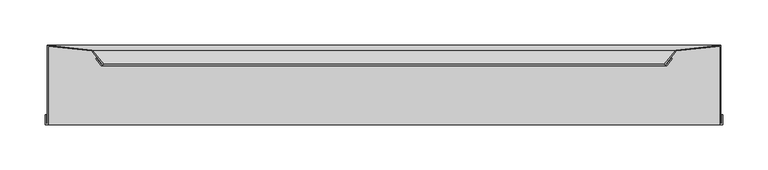
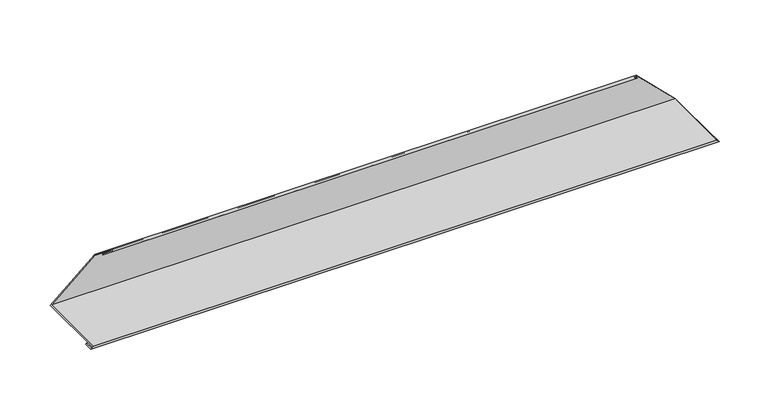
"""IFC4 building model written with IfcOpenShell, lengths in millimetres: proxy geometry."""

from ifc_helpers import new_model, si_unit, origin, place, context, project, spatial, faceted_brep, source, transform, mapped, element, save


def generic_models_2fc23070(model_context):
    return source(origin(), model_context, "Body", "Brep", [
        faceted_brep([(2.0, -89.0, 2.0), (2.0, -79.0, 2.0), (1.0, -79.0, 1.0), (1.0, -90.0, 1.0), (4.0, -90.0, 4.0), (4.0, -3.6471503, 4.0), (52.2096218, -8.7141857, 52.2096218), (63.9753657, -23.2436693, 63.9753657), (63.1982197, -23.8729897, 63.1982197), (57.5343362, -16.878676, 57.5343362), (56.7571902, -17.5079964, 56.7571902), (63.0503942, -25.279456, 63.0503942), (65.381832, -23.3914949, 65.381832), (52.7260948, -7.7629609, 52.7260948), (3.0, -2.5365377, 3.0), (3.0, -89.0, 3.0), (748.0, -79.0, 2.0), (748.0, -89.0, 2.0), (747.0, -89.0, 3.0), (747.0, -2.5365377, 3.0), (697.2739052, -7.7629609, 52.7260948), (684.618168, -23.3914949, 65.381832), (686.9496058, -25.279456, 63.0503942), (693.2428098, -17.5079964, 56.7571902), (692.4656638, -16.878676, 57.5343362), (686.8017803, -23.8729897, 63.1982197), (686.0246343, -23.2436693, 63.9753657), (697.7903782, -8.7141857, 52.2096218), (746.0, -3.6471503, 4.0), (746.0, -90.0, 4.0), (749.0, -90.0, 1.0), (749.0, -79.0, 1.0)], [[[0, 1, 2, 3, 4, 5, 6, 7, 8, 9, 10, 11, 12, 13, 14, 15]], [[16, 17, 18, 19, 20, 21, 22, 23, 24, 25, 26, 27, 28, 29, 30, 31]], [[1, 0, 17, 16]], [[2, 1, 16, 31]], [[3, 2, 31, 30]], [[4, 3, 30, 29]], [[5, 4, 29, 28]], [[6, 5, 28, 27]], [[7, 6, 27, 26]], [[8, 7, 26, 25]], [[9, 8, 25, 24]], [[10, 9, 24, 23]], [[11, 10, 23, 22]], [[12, 11, 22, 21]], [[13, 12, 21, 20]], [[14, 13, 20, 19]], [[15, 14, 19, 18]], [[0, 15, 18, 17]]]),
    ])


if __name__ == "__main__":
    model = new_model("IFC4")
    model_context = context("Model", 3, world=origin())
    ifc_project = project(units=[si_unit("LENGTHUNIT", "METRE", prefix="MILLI")], contexts=[model_context])
    site = spatial("IfcSite", under=ifc_project)
    building = spatial("IfcBuilding", under=site)
    placement = place(None, origin())
    generic_models_shape = generic_models_2fc23070(model_context)
    element("IfcBuildingElementProxy", 1, Name="Generic Models", at=placement, inside=building, context=model_context, shape_type="MappedRepresentation", body=[
        mapped(generic_models_shape, transform((0.0, 0.0, 0.0), x_axis=(1.0, 0.0, 0.0), y_axis=(0.0, 1.0, 0.0), z_axis=(0.0, 0.0, 1.0))),
    ])
    save(model, "model.ifc")
